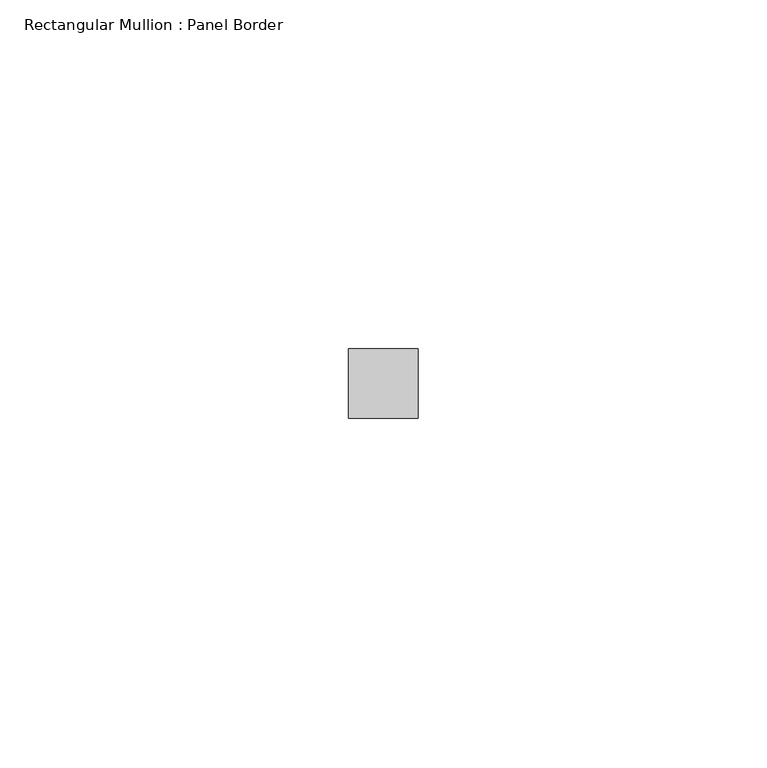
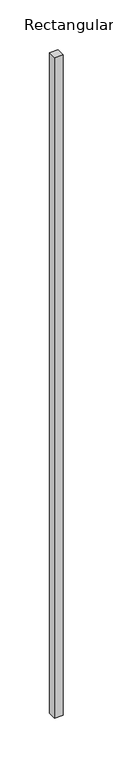
"""IFC4 building model written with IfcOpenShell, lengths in millimetres: member geometry, Rectangular Mullion : Panel Border."""

from ifc_helpers import new_model, si_unit, frame, origin, place, context, project, spatial, polyline, outline, extrude, source, transform, mapped, element, save


def rectangular_mullion_panel_border_7557f960(model_context):
    return source(origin(), model_context, "Body", "SweptSolid", [
        extrude(outline(polyline([(5.0, 5.5), (5.0, -4.5), (-5.0, -4.5), (-5.0, 5.5), (5.0, 5.5)])), frame((0.0, 0.0, -810.0), z_axis=(0.0, 0.0, 1.0), x_axis=(1.0, 0.0, 0.0)), (0.0, 0.0, 1.0), 810.0),
    ])


if __name__ == "__main__":
    model = new_model("IFC4")
    model_context = context("Model", 3, world=origin())
    ifc_project = project(units=[si_unit("LENGTHUNIT", "METRE", prefix="MILLI")], contexts=[model_context])
    site = spatial("IfcSite", under=ifc_project)
    building = spatial("IfcBuilding", under=site)
    placement = place(None, origin())
    rectangular_mullion_panel_border_shape = rectangular_mullion_panel_border_7557f960(model_context)
    element("IfcMember", 1, ObjectType="Rectangular Mullion : Panel Border", at=placement, inside=building, context=model_context, shape_type="MappedRepresentation", body=[
        mapped(rectangular_mullion_panel_border_shape, transform((0.0, 0.0, 0.0), x_axis=(1.0, 0.0, 0.0), y_axis=(0.0, 1.0, 0.0), z_axis=(0.0, 0.0, 1.0))),
    ])
    save(model, "model.ifc")
